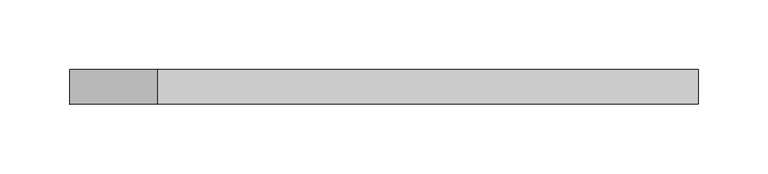
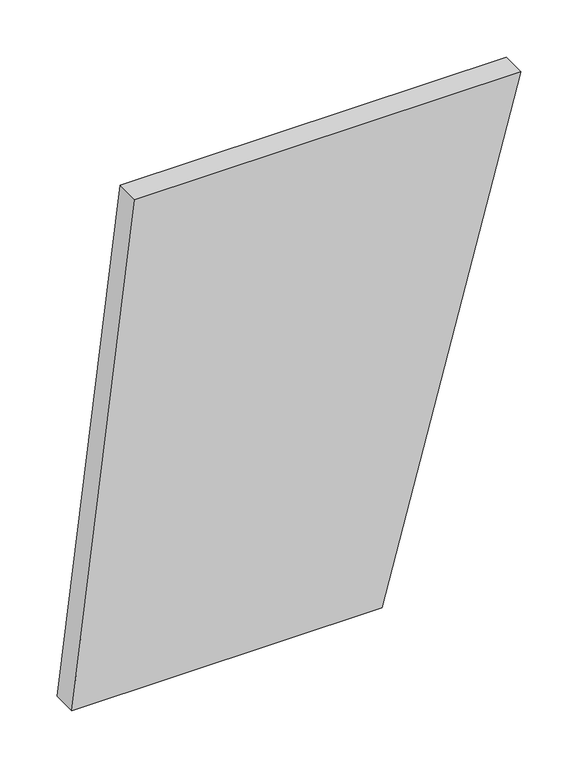
"""IFC4 building model written with IfcOpenShell, lengths in millimetres: plate geometry."""

import ifcopenshell
import ifcopenshell.guid

model = None  # the IFC model being written
_history = None  # IfcOwnerHistory: only IFC2X3 demands one
_inside = {}  # id of a spatial element -> (the spatial element, [elements in it])
_under = {}  # id of a project, library or spatial element -> (it, [spatial elements below it])
_declared = {}  # id of a project -> (the project, [libraries it declares])
_typed = {}  # id of a type object -> (the type object, [elements of that type])
_made_of = {}  # id of a material, layer set ... -> (it, [elements and type objects made of it])


def new_model(schema):
    """Start an empty IFC model of exactly this schema.

    Asked for "IFC4X3", IfcOpenShell would pick the latest addendum, in which some entities
    have other attributes; the version numbers below select the first issue.
    IFC2X3 requires an IfcOwnerHistory on every rooted entity: one is made here for all.
    """
    global model, _history
    if schema == "IFC4X3":
        model = ifcopenshell.file(schema_version=(4, 3, 0, 0))
    else:
        model = ifcopenshell.file(schema=schema)
    _inside.clear()
    _under.clear()
    _declared.clear()
    _typed.clear()
    _made_of.clear()
    _history = None
    if model.schema == "IFC2X3":
        org = make("IfcOrganization", Name="unknown")
        user = make(
            "IfcPersonAndOrganization",
            ThePerson=make("IfcPerson", FamilyName="unknown"),
            TheOrganization=org,
        )
        app = make(
            "IfcApplication",
            ApplicationDeveloper=org,
            Version="unknown",
            ApplicationFullName="unknown",
            ApplicationIdentifier="unknown",
        )
        _history = make(
            "IfcOwnerHistory",
            OwningUser=user,
            OwningApplication=app,
            ChangeAction="ADDED",
            CreationDate=0,
        )
    return model


def make(cls, **values):
    """One entity of the class cls with the attributes given. An attribute that is None is left unset."""
    return model.create_entity(
        cls, **{name: value for name, value in values.items() if value is not None}
    )


def rooted(cls, **values):
    """An entity with a GlobalId (a new one), such as an element, a storey or a relation."""
    return make(cls, GlobalId=ifcopenshell.guid.new(), OwnerHistory=_history, **values)


def si_unit(unit_type, name, prefix=None):
    """IfcSIUnit, for example si_unit("LENGTHUNIT", "METRE", prefix="MILLI")."""
    return make("IfcSIUnit", UnitType=unit_type, Prefix=prefix, Name=name)


def assignment(units):
    """IfcUnitAssignment: the units of a project."""
    return None if units is None else make("IfcUnitAssignment", Units=units)


def point(xyz):
    """IfcCartesianPoint."""
    return None if xyz is None else make("IfcCartesianPoint", Coordinates=xyz)


def direction(xyz):
    """IfcDirection."""
    return None if xyz is None else make("IfcDirection", DirectionRatios=xyz)


def frame(location, z_axis=None, x_axis=None):
    """IfcAxis2Placement3D, a coordinate frame: its origin and axes. An axis left out is left unset."""
    return make(
        "IfcAxis2Placement3D",
        Location=point(location),
        Axis=direction(z_axis),
        RefDirection=direction(x_axis),
    )


def origin():
    """The frame at (0, 0, 0) with its axes left unset."""
    return frame((0.0, 0.0, 0.0))


def place(relative_to, where):
    """IfcLocalPlacement: puts the frame where relative to a parent placement (None: the world)."""
    return make(
        "IfcLocalPlacement", PlacementRelTo=relative_to, RelativePlacement=where
    )


def context(
    kind, dimensions, precision=None, world=None, true_north=None, identifier=None
):
    """IfcGeometricRepresentationContext, for example the 3D "Model" context."""
    return make(
        "IfcGeometricRepresentationContext",
        ContextIdentifier=identifier,
        ContextType=kind,
        CoordinateSpaceDimension=dimensions,
        Precision=precision,
        WorldCoordinateSystem=world,
        TrueNorth=true_north,
    )


def project(units=None, contexts=None):
    """IfcProject with its units and contexts."""
    return rooted(
        "IfcProject",
        Name="project",
        RepresentationContexts=contexts,
        UnitsInContext=assignment(units),
    )


def spatial(cls, under=None, at=None, **own):
    """A site, building, storey or space (cls), placed at a placement, below another one or the project."""
    s = rooted(cls, ObjectPlacement=at, **own)
    if under is not None:
        _under.setdefault(under.id(), (under, []))[1].append(s)
    return s


def polyline(points):
    """IfcPolyline through the points."""
    return make("IfcPolyline", Points=[point(p) for p in points])


def outline(outer, holes=None, kind="AREA"):
    """IfcArbitraryClosedProfileDef: a profile drawn as a closed curve; with holes, ...WithVoids."""
    if holes is None:
        return make("IfcArbitraryClosedProfileDef", ProfileType=kind, OuterCurve=outer)
    return make(
        "IfcArbitraryProfileDefWithVoids",
        ProfileType=kind,
        OuterCurve=outer,
        InnerCurves=holes,
    )


def extrude(swept, where, along, depth):
    """IfcExtrudedAreaSolid: the profile swept, set in the frame where, extruded along a direction by depth."""
    return make(
        "IfcExtrudedAreaSolid",
        SweptArea=swept,
        Position=where,
        ExtrudedDirection=direction(along),
        Depth=depth,
    )


def shape(context_of_items, identifier, shape_type, items):
    """IfcShapeRepresentation: the items that make up one representation, for example the "Body"."""
    return make(
        "IfcShapeRepresentation",
        ContextOfItems=context_of_items,
        RepresentationIdentifier=identifier,
        RepresentationType=shape_type,
        Items=items,
    )


def source(mapping_origin, context_of_items, identifier, shape_type, items):
    """IfcRepresentationMap: a shape defined once, which mapped items show again and again."""
    return make(
        "IfcRepresentationMap",
        MappingOrigin=mapping_origin,
        MappedRepresentation=shape(context_of_items, identifier, shape_type, items),
    )


def transform(
    local_origin,
    x_axis=None,
    y_axis=None,
    z_axis=None,
    scale=None,
    scale2=None,
    scale3=None,
    uniform=True,
):
    """IfcCartesianTransformationOperator3D, or its non-uniform kind. x_axis, y_axis, z_axis: its Axis1, 2, 3."""
    if uniform:
        return make(
            "IfcCartesianTransformationOperator3D",
            Axis1=direction(x_axis),
            Axis2=direction(y_axis),
            LocalOrigin=point(local_origin),
            Scale=scale,
            Axis3=direction(z_axis),
        )
    return make(
        "IfcCartesianTransformationOperator3DnonUniform",
        Axis1=direction(x_axis),
        Axis2=direction(y_axis),
        LocalOrigin=point(local_origin),
        Scale=scale,
        Axis3=direction(z_axis),
        Scale2=scale2,
        Scale3=scale3,
    )


def mapped(mapping_source, mapping_target):
    """IfcMappedItem: shows the shape of a source again, moved by a transform."""
    return make(
        "IfcMappedItem", MappingSource=mapping_source, MappingTarget=mapping_target
    )


def made_of(thing, what):
    """Note that an element or type object is made of a material, layer set ...; save() writes the relation."""
    if what is not None:
        _made_of.setdefault(what.id(), (what, []))[1].append(thing)
    return thing


def element(
    cls,
    number,
    at=None,
    inside=None,
    cuts=None,
    type_object=None,
    material=None,
    context=None,
    identifier="Body",
    shape_type=None,
    held_by="IfcProductDefinitionShape",
    body=None,
    shapes=None,
    **own,
):
    """One element of the class cls, such as IfcWall. Its Tag is "e" and its number.

    at: its placement. inside: the storey or other place that contains it. cuts: it is an
    opening in that element (IfcRelVoidsElement). A single representation is given by context,
    identifier, shape_type and body (its items); several are given by shapes. held_by: the class
    of the entity that holds the representations. save() writes the other relations.
    """
    e = rooted(cls, Tag="e%d" % number, ObjectPlacement=at, **own)
    if body is not None:
        shapes = [shape(context, identifier, shape_type, body)]
    if shapes is not None:
        e.Representation = make(held_by, Representations=shapes)
    if inside is not None:
        _inside.setdefault(inside.id(), (inside, []))[1].append(e)
    if cuts is not None:
        rooted(
            "IfcRelVoidsElement", RelatingBuildingElement=cuts, RelatedOpeningElement=e
        )
    if type_object is not None:
        _typed.setdefault(type_object.id(), (type_object, []))[1].append(e)
    return made_of(e, material)


def aggregate(whole, parts):
    """IfcRelAggregates: a whole, such as a stair, and the parts it consists of."""
    return rooted("IfcRelAggregates", RelatingObject=whole, RelatedObjects=parts)


def save(model, path):
    """Write the relations noted so far, then the file.

    IfcRelAggregates (storeys below a building ...), IfcRelContainedInSpatialStructure (elements
    in a storey), IfcRelDefinesByType, IfcRelAssociatesMaterial and IfcRelDeclares: one each for
    every whole, place, type object, material and project.
    """
    for whole, parts in _under.values():
        aggregate(whole, parts)
    for where, things in _inside.values():
        rooted(
            "IfcRelContainedInSpatialStructure",
            RelatedElements=things,
            RelatingStructure=where,
        )
    for kind, things in _typed.values():
        rooted("IfcRelDefinesByType", RelatedObjects=things, RelatingType=kind)
    for what, things in _made_of.values():
        rooted("IfcRelAssociatesMaterial", RelatedObjects=things, RelatingMaterial=what)
    for by, libraries in _declared.values():
        rooted("IfcRelDeclares", RelatingContext=by, RelatedDefinitions=libraries)
    model.write(path)


def plate_18791bae(model_context):
    return source(origin(), model_context, "Body", "SweptSolid", [
        extrude(outline(polyline([(0.0, -225.8669261), (0.0, 86.268398), (520.9887997, 225.8669261), (520.9887997, -162.4563722), (0.0, -225.8669261)])), frame((0.0, 24.5, 0.0), z_axis=(0.0, 1.0, 0.0), x_axis=(0.0, 0.0, 1.0)), (0.0, 0.0, 1.0), 25.0),
    ])


if __name__ == "__main__":
    model = new_model("IFC4")
    model_context = context("Model", 3, world=origin())
    ifc_project = project(units=[si_unit("LENGTHUNIT", "METRE", prefix="MILLI")], contexts=[model_context])
    site = spatial("IfcSite", under=ifc_project)
    building = spatial("IfcBuilding", under=site)
    placement = place(None, origin())
    plate_shape = plate_18791bae(model_context)
    element("IfcPlate", 1, at=placement, inside=building, context=model_context, shape_type="MappedRepresentation", body=[
        mapped(plate_shape, transform((0.0, 0.0, 0.0), x_axis=(1.0, 0.0, 0.0), y_axis=(0.0, 1.0, 0.0), z_axis=(0.0, 0.0, 1.0))),
    ])
    save(model, "model.ifc")
